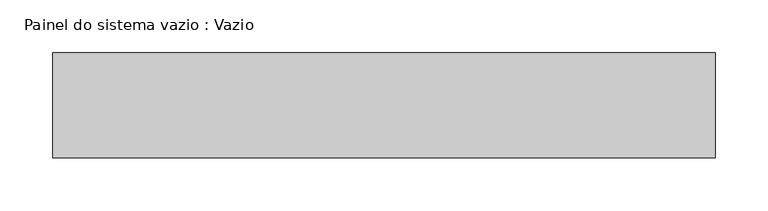
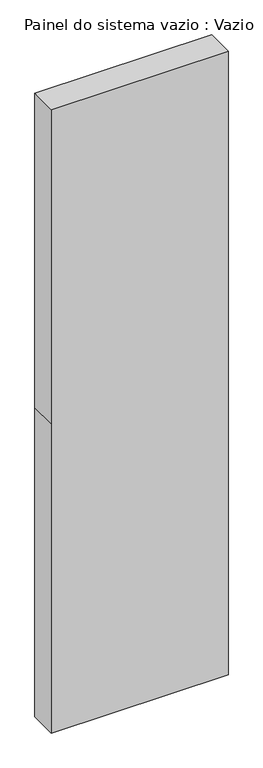
"""IFC4 building model written with IfcOpenShell, lengths in millimetres: plate geometry, Painel do sistema vazio : Vazio."""

from ifc_helpers import new_model, si_unit, frame, origin, place, context, project, spatial, polyline, outline, extrude, source, transform, mapped, element, save


def painel_do_sistema_vazio_vazio_4c135b2f(model_context):
    return source(origin(), model_context, "Body", "SweptSolid", [
        extrude(outline(polyline([(0.0, -315.0), (0.0, 315.0), (1165.0, 315.0), (2347.5, 315.0), (2347.5, -315.0), (1165.0, -315.0), (0.0, -315.0)])), frame((0.0, -50.0, 0.0), z_axis=(0.0, 1.0, 0.0), x_axis=(0.0, 0.0, 1.0)), (0.0, 0.0, 1.0), 100.0),
    ])


if __name__ == "__main__":
    model = new_model("IFC4")
    model_context = context("Model", 3, world=origin())
    ifc_project = project(units=[si_unit("LENGTHUNIT", "METRE", prefix="MILLI")], contexts=[model_context])
    site = spatial("IfcSite", under=ifc_project)
    building = spatial("IfcBuilding", under=site)
    placement = place(None, origin())
    painel_do_sistema_vazio_vazio_shape = painel_do_sistema_vazio_vazio_4c135b2f(model_context)
    element("IfcPlate", 1, ObjectType="Painel do sistema vazio : Vazio", at=placement, inside=building, context=model_context, shape_type="MappedRepresentation", body=[
        mapped(painel_do_sistema_vazio_vazio_shape, transform((0.0, 0.0, 0.0), x_axis=(1.0, 0.0, 0.0), y_axis=(0.0, 1.0, 0.0), z_axis=(0.0, 0.0, 1.0))),
    ])
    save(model, "model.ifc")
